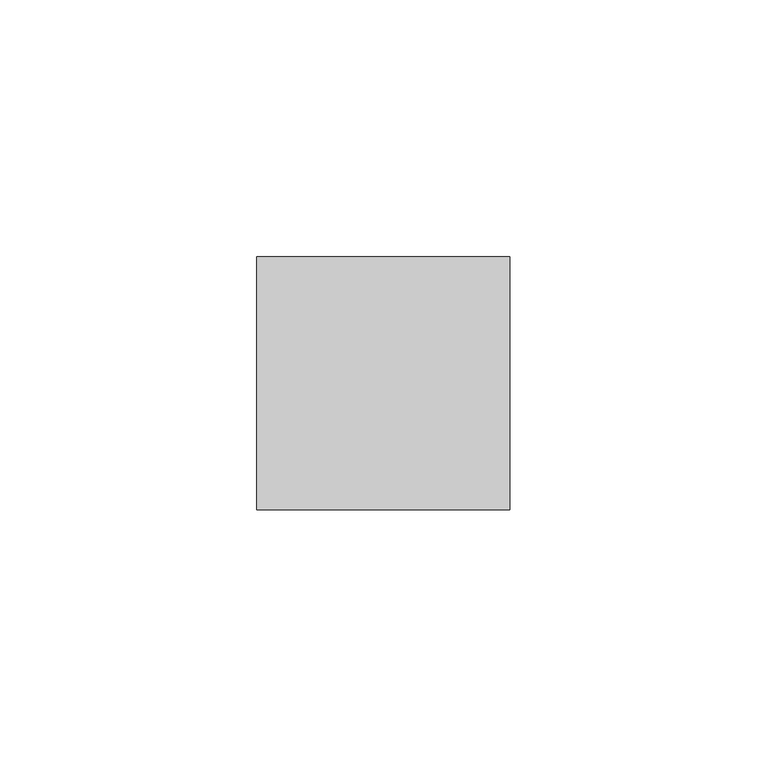
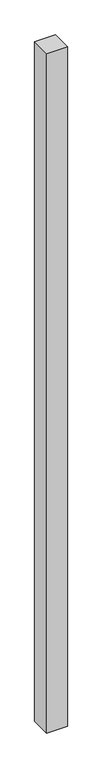
"""IFC4 building model written with IfcOpenShell, lengths in millimetres: plate geometry."""

from ifc_helpers import new_model, si_unit, origin, origin_with_axes, place, context, project, spatial, polyline, outline, extrude, source, transform, mapped, element, save


def plate_e7f41e70(model_context):
    return source(origin(), model_context, "Body", "SweptSolid", [
        extrude(outline(polyline([(24.6340206, -24.60625), (-24.6340206, -24.60625), (-24.6340206, 24.60625), (24.6340206, 24.60625), (24.6340206, -24.60625)])), origin_with_axes(), (0.0, 0.0, 1.0), 1708.8912252),
    ])


if __name__ == "__main__":
    model = new_model("IFC4")
    model_context = context("Model", 3, world=origin())
    ifc_project = project(units=[si_unit("LENGTHUNIT", "METRE", prefix="MILLI")], contexts=[model_context])
    site = spatial("IfcSite", under=ifc_project)
    building = spatial("IfcBuilding", under=site)
    placement = place(None, origin())
    plate_shape = plate_e7f41e70(model_context)
    element("IfcPlate", 1, at=placement, inside=building, context=model_context, shape_type="MappedRepresentation", body=[
        mapped(plate_shape, transform((0.0, 0.0, 0.0), x_axis=(1.0, 0.0, 0.0), y_axis=(0.0, 1.0, 0.0), z_axis=(0.0, 0.0, 1.0))),
    ])
    save(model, "model.ifc")
